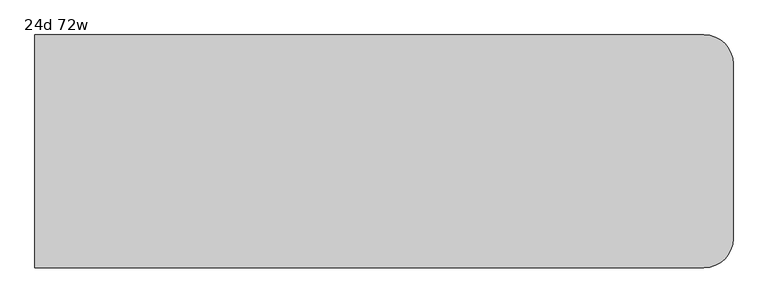
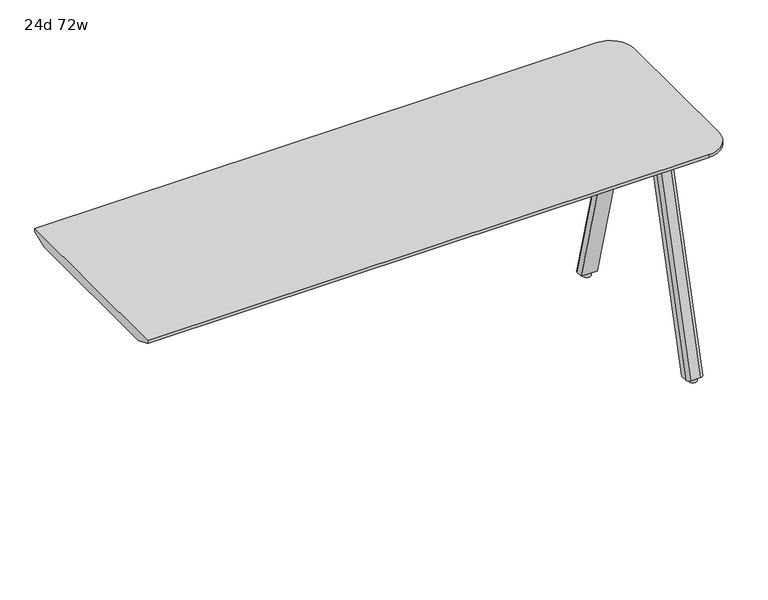
"""IFC4 building model written with IfcOpenShell, lengths in millimetres: furniture geometry, 24d 72w."""

from ifc_helpers import new_model, si_unit, point, frame, frame_2d, origin, origin_with_axes, place, context, project, spatial, polyline, circle_curve, trimmed, segment, composite_curve, outline, extrude, source, transform, mapped, element, save
from ifc_brep_helpers import plane_surface, cylinder_surface, revolved_surface, extruded_surface, advanced_brep


def furniture_24d_72w_21c41ae3(model_context):
    return source(origin(), model_context, "Body", "SolidModel", [
        extrude(outline(composite_curve([segment(polyline([(1264.8565, -177.5714359), (1156.9065004, -177.5714359)]), True, "CONTINUOUS"), segment(trimmed(circle_curve(frame_2d((1156.9065004, -168.0464359)), 9.525), [point((1156.9065004, -177.5714359))], [point((1147.3815004, -168.0464359))], False, "CARTESIAN"), True, "CONTINUOUS"), segment(polyline([(1147.3815004, -168.0464359), (1147.3815004, -85.3730665)]), True, "CONTINUOUS"), segment(trimmed(circle_curve(frame_2d((1156.9065004, -85.3730665)), 9.525), [point((1147.3815004, -85.3730665))], [point((1156.9065004, -75.8480665))], False, "CARTESIAN"), True, "CONTINUOUS"), segment(polyline([(1156.9065004, -75.8480665), (1264.8565, -75.8480665)]), True, "CONTINUOUS"), segment(trimmed(circle_curve(frame_2d((1264.8565, -85.3730665)), 9.525), [point((1264.8565, -75.8480665))], [point((1274.3815, -85.3730665))], False, "CARTESIAN"), True, "CONTINUOUS"), segment(polyline([(1274.3815, -85.3730665), (1274.3815, -168.0464359)]), True, "CONTINUOUS"), segment(trimmed(circle_curve(frame_2d((1264.8565, -168.0464359)), 9.525), [point((1274.3815, -168.0464359))], [point((1264.8565, -177.5714359))], False, "CARTESIAN"), True, "CONTINUOUS")], self_intersect=False)), frame((0.0, 0.0, 705.2055742), z_axis=(0.0, 0.0, 1.0), x_axis=(1.0, 0.0, 0.0)), (0.0, 0.0, 1.0), 5.9944258),
        advanced_brep(
        [(1258.8875, -83.0722266, 705.2055742), (1227.1375, -83.0722266, 705.2055742), (1217.6125, -92.5972266, 705.2055742), (1217.6125, -113.2347266, 705.2055742), (1268.4125, -113.2347266, 705.2055742), (1268.4125, -92.5972266, 705.2055742), (1258.8875, 103.4160641, 12.7), (1268.4125, 93.8910641, 12.7), (1268.4125, 73.2535641, 12.7), (1217.6125, 73.2535641, 12.7), (1217.6125, 93.8910641, 12.7), (1227.1375, 103.4160641, 12.7)],
        [
            (0, 1),
            (1, 2, circle_curve(frame((1227.1375, -92.5972266, 705.2055742), z_axis=(0.0, 0.0, 1.0), x_axis=(1.0, 0.0, 0.0)), 9.525)),
            (2, 3),
            (3, 4),
            (4, 5),
            (5, 0, circle_curve(frame((1258.8875, -92.5972266, 705.2055742), z_axis=(0.0, 0.0, 1.0), x_axis=(1.0, 0.0, 0.0)), 9.525)),
            (6, 7, circle_curve(frame((1258.8875, 93.8910641, 12.7), z_axis=(0.0, 0.0, -1.0), x_axis=(1.0, 0.0, 0.0)), 9.525)),
            (7, 8),
            (8, 9),
            (9, 10),
            (10, 11, circle_curve(frame((1227.1375, 93.8910641, 12.7), z_axis=(0.0, 0.0, -1.0), x_axis=(1.0, 0.0, 0.0)), 9.525)),
            (11, 6),
            (6, 0),
            (5, 7),
            (4, 8),
            (3, 9),
            (2, 10),
            (1, 11),
        ],
        [
            plane_surface(frame((1243.0125, -96.3013932, 705.2055742), z_axis=(0.0, 0.0, 1.0), x_axis=(-1.0, 0.0, 0.0))),
            plane_surface(frame((1243.0125, 90.1868975, 12.7), z_axis=(0.0, 0.0, -1.0), x_axis=(-1.0, 0.0, 0.0))),
            extruded_surface(trimmed(circle_curve(frame((1258.8875, -92.5972266, 705.2055742), z_axis=(0.0, 0.0, -1.0), x_axis=(1.0, 0.0, 0.0)), 9.525), [point((1258.8875, -83.0722266, 705.2055742))], [point((1268.4125, -92.5972266, 705.2055742))], True, "CARTESIAN"), (0.0, 186.4882907, -692.5055742), 717.1763052878136),
            plane_surface(frame((1268.4125, 83.5723141, 12.7), z_axis=(1.0, 0.0, 0.0), x_axis=(0.0, -1.0, 0.0))),
            plane_surface(frame((1243.0125, 73.2535641, 12.7), z_axis=(0.0, -0.9656001865922422, -0.260031305140414), x_axis=(-1.0, 0.0, 0.0))),
            plane_surface(frame((1217.6125, 83.5723141, 12.7), z_axis=(-1.0, 0.0, 0.0), x_axis=(0.0, 1.0, 0.0))),
            extruded_surface(trimmed(circle_curve(frame((1227.1375, -92.5972266, 705.2055742), z_axis=(0.0, 0.0, -1.0), x_axis=(1.0, 0.0, 0.0)), 9.525), [point((1217.6125, -92.5972266, 705.2055742))], [point((1227.1375, -83.0722266, 705.2055742))], True, "CARTESIAN"), (0.0, 186.4882907, -692.5055742), 717.1763052878136),
            plane_surface(frame((1243.0125, 103.4160641, 12.7), z_axis=(0.0, 0.9656001865922422, 0.260031305140414), x_axis=(1.0, 0.0, 0.0))),
        ],
        [
            (0, [[1, 2, 3, 4, 5, 6]]),
            (1, [[7, 8, 9, 10, 11, 12]]),
            (2, [[13, -6, 14, -7]]),
            (3, [[-14, -5, 15, -8]]),
            (4, [[-15, -4, 16, -9]]),
            (5, [[-16, -3, 17, -10]]),
            (6, [[-17, -2, 18, -11]]),
            (7, [[-18, -1, -13, -12]]),
        ],
    ),
        extrude(outline(composite_curve([segment(trimmed(circle_curve(frame_2d((1243.0125, 87.5410641)), 12.7), [point((1230.3125, 87.5410641))], [point((1255.7125, 87.5410641))], False, "CARTESIAN"), True, "CONTINUOUS"), segment(trimmed(circle_curve(frame_2d((1243.0125, 87.5410641)), 12.7), [point((1255.7125, 87.5410641))], [point((1230.3125, 87.5410641))], False, "CARTESIAN"), True, "CONTINUOUS")], self_intersect=False)), origin_with_axes(), (0.0, 0.0, 1.0), 12.7),
        extrude(outline(composite_curve([segment(trimmed(circle_curve(frame_2d((1264.8565, -231.4605172)), 9.525), [point((1264.8565, -221.9355172))], [point((1274.3815, -231.4605172))], False, "CARTESIAN"), True, "CONTINUOUS"), segment(polyline([(1274.3815, -231.4605172), (1274.3815, -314.1338866)]), True, "CONTINUOUS"), segment(trimmed(circle_curve(frame_2d((1264.8565, -314.1338866)), 9.525), [point((1274.3815, -314.1338866))], [point((1264.8565, -323.6588866))], False, "CARTESIAN"), True, "CONTINUOUS"), segment(polyline([(1264.8565, -323.6588866), (1156.9065004, -323.6588866)]), True, "CONTINUOUS"), segment(trimmed(circle_curve(frame_2d((1156.9065004, -314.1338866)), 9.525), [point((1156.9065004, -323.6588866))], [point((1147.3815004, -314.1338866))], False, "CARTESIAN"), True, "CONTINUOUS"), segment(polyline([(1147.3815004, -314.1338866), (1147.3815004, -231.4605172)]), True, "CONTINUOUS"), segment(trimmed(circle_curve(frame_2d((1156.9065004, -231.4605172)), 9.525), [point((1147.3815004, -231.4605172))], [point((1156.9065004, -221.9355172))], False, "CARTESIAN"), True, "CONTINUOUS"), segment(polyline([(1156.9065004, -221.9355172), (1264.8565, -221.9355172)]), True, "CONTINUOUS")], self_intersect=False)), frame((0.0, 0.0, 705.2055742), z_axis=(0.0, 0.0, 1.0), x_axis=(1.0, 0.0, 0.0)), (0.0, 0.0, 1.0), 5.9944258),
        advanced_brep(
        [(1258.8875, -316.4347266, 705.2055742), (1268.4125, -306.9097266, 705.2055742), (1268.4125, -286.2722266, 705.2055742), (1217.6125, -286.2722266, 705.2055742), (1217.6125, -306.9097266, 705.2055742), (1227.1375, -316.4347266, 705.2055742), (1258.8875, -502.9230172, 12.7), (1227.1375, -502.9230172, 12.7), (1217.6125, -493.3980172, 12.7), (1217.6125, -472.7605172, 12.7), (1268.4125, -472.7605172, 12.7), (1268.4125, -493.3980172, 12.7)],
        [
            (0, 1, circle_curve(frame((1258.8875, -306.9097266, 705.2055742), z_axis=(0.0, 0.0, 1.0), x_axis=(1.0, 0.0, 0.0)), 9.525)),
            (1, 2),
            (2, 3),
            (3, 4),
            (4, 5, circle_curve(frame((1227.1375, -306.9097266, 705.2055742), z_axis=(0.0, 0.0, 1.0), x_axis=(1.0, 0.0, 0.0)), 9.525)),
            (5, 0),
            (6, 7),
            (7, 8, circle_curve(frame((1227.1375, -493.3980172, 12.7), z_axis=(0.0, 0.0, -1.0), x_axis=(1.0, 0.0, 0.0)), 9.525)),
            (8, 9),
            (9, 10),
            (10, 11),
            (11, 6, circle_curve(frame((1258.8875, -493.3980172, 12.7), z_axis=(0.0, 0.0, -1.0), x_axis=(1.0, 0.0, 0.0)), 9.525)),
            (11, 1),
            (0, 6),
            (10, 2),
            (9, 3),
            (8, 4),
            (7, 5),
        ],
        [
            plane_surface(frame((1243.0125, -303.2055599, 705.2055742), z_axis=(0.0, 0.0, 1.0), x_axis=(-1.0, 0.0, 0.0))),
            plane_surface(frame((1243.0125, -489.6938506, 12.7), z_axis=(0.0, 0.0, -1.0), x_axis=(-1.0, 0.0, 0.0))),
            extruded_surface(trimmed(circle_curve(frame((1258.8875, -493.3980172, 12.7), z_axis=(0.0, 0.0, 1.0), x_axis=(1.0, 0.0, 0.0)), 9.525), [point((1258.8875, -502.9230172, 12.7))], [point((1268.4125, -493.3980172, 12.7))], True, "CARTESIAN"), (0.0, 186.48829060000003, 692.5055742), 717.1763052618106),
            plane_surface(frame((1268.4125, -483.0792672, 12.7), z_axis=(1.0, 0.0, 0.0), x_axis=(0.0, 1.0, 0.0))),
            plane_surface(frame((1243.0125, -472.7605172, 12.7), z_axis=(0.0, 0.9656001865922422, -0.260031305140414), x_axis=(-1.0, 0.0, 0.0))),
            plane_surface(frame((1217.6125, -483.0792672, 12.7), z_axis=(-1.0, 0.0, 0.0), x_axis=(0.0, -1.0, 0.0))),
            extruded_surface(trimmed(circle_curve(frame((1227.1375, -493.3980172, 12.7), z_axis=(0.0, 0.0, 1.0), x_axis=(1.0, 0.0, 0.0)), 9.525), [point((1217.6125, -493.3980172, 12.7))], [point((1227.1375, -502.9230172, 12.7))], True, "CARTESIAN"), (0.0, 186.48829060000003, 692.5055742), 717.1763052618106),
            plane_surface(frame((1243.0125, -502.9230172, 12.7), z_axis=(0.0, -0.9656001865922422, 0.260031305140414), x_axis=(1.0, 0.0, 0.0))),
        ],
        [
            (0, [[1, 2, 3, 4, 5, 6]]),
            (1, [[7, 8, 9, 10, 11, 12]]),
            (2, [[-12, 13, -1, 14]]),
            (3, [[-11, 15, -2, -13]]),
            (4, [[-10, 16, -3, -15]]),
            (5, [[-9, 17, -4, -16]]),
            (6, [[-8, 18, -5, -17]]),
            (7, [[-7, -14, -6, -18]]),
        ],
    ),
        extrude(outline(composite_curve([segment(trimmed(circle_curve(frame_2d((1243.0125, -487.0480172)), 12.7), [point((1230.3125, -487.0480172))], [point((1255.7125, -487.0480172))], False, "CARTESIAN"), True, "CONTINUOUS"), segment(trimmed(circle_curve(frame_2d((1243.0125, -487.0480172)), 12.7), [point((1255.7125, -487.0480172))], [point((1230.3125, -487.0480172))], False, "CARTESIAN"), True, "CONTINUOUS")], self_intersect=False)), origin_with_axes(), (0.0, 0.0, 1.0), 12.7),
        advanced_brep(
        [(1282.7, 105.0465234, 741.3625), (-469.9, 105.0465234, 741.3625), (-469.9, -504.5534766, 741.3625), (1282.7, -504.5534766, 741.3625), (1358.9, -428.3534766, 741.3625), (1358.9, 28.8465234, 741.3625), (-469.9, -453.7534766, 711.2), (-469.9, 54.2465234, 711.2), (1282.7, 54.2465234, 711.2), (1308.1, 28.8465234, 711.2), (1308.1, -428.3534766, 711.2), (1282.7, -453.7534766, 711.2), (1282.7, 105.0465234, 731.8375), (-469.9, 105.0465234, 731.8375), (-469.9, -504.5534766, 731.8375), (1282.7, -504.5534766, 731.8375), (1358.9, -428.3534766, 731.8375), (1358.9, 28.8465234, 731.8375)],
        [
            (0, 1),
            (1, 2),
            (2, 3),
            (3, 4, circle_curve(frame((1282.7, -428.3534766, 741.3625), z_axis=(0.0, 0.0, 1.0), x_axis=(1.0, 0.0, 0.0)), 76.2)),
            (4, 5),
            (5, 0, circle_curve(frame((1282.7, 28.8465234, 741.3625), z_axis=(0.0, 0.0, 1.0), x_axis=(1.0, 0.0, 0.0)), 76.2)),
            (6, 7),
            (7, 8),
            (8, 9, circle_curve(frame((1282.7, 28.8465234, 711.2), z_axis=(0.0, 0.0, -1.0), x_axis=(1.0, 0.0, 0.0)), 25.4)),
            (9, 10),
            (10, 11, circle_curve(frame((1282.7, -428.3534766, 711.2), z_axis=(0.0, 0.0, -1.0), x_axis=(0.0, -1.0, 0.0)), 25.4)),
            (11, 6),
            (0, 12),
            (12, 13),
            (13, 1),
            (13, 7),
            (6, 14),
            (14, 2),
            (14, 15),
            (15, 3),
            (4, 16),
            (16, 17),
            (17, 5),
            (11, 15),
            (10, 16),
            (16, 15, circle_curve(frame((1282.7, -428.3534766, 731.8375), z_axis=(0.0, 0.0, -1.0), x_axis=(0.0, -1.0, 0.0)), 76.2)),
            (9, 17),
            (17, 12, circle_curve(frame((1282.7, 28.8465234, 731.8375), z_axis=(0.0, 0.0, 1.0), x_axis=(1.0, 0.0, 0.0)), 76.2)),
            (8, 12),
        ],
        [
            plane_surface(frame((-469.9, 105.0465234, 741.3625), z_axis=(0.0, 0.0, 1.0), x_axis=(-1.0, 0.0, 0.0))),
            plane_surface(frame((-469.9, 105.0465234, 711.2), z_axis=(0.0, 0.0, -1.0), x_axis=(1.0, 0.0, 0.0))),
            plane_surface(frame((1282.7, 105.0465234, 741.3625), z_axis=(0.0, 1.0, 0.0), x_axis=(0.0, 0.0, -1.0))),
            plane_surface(frame((-469.9, 105.0465234, 741.3625), z_axis=(-1.0, 0.0, 0.0), x_axis=(0.0, 0.0, -1.0))),
            plane_surface(frame((-469.9, -504.5534766, 741.3625), z_axis=(0.0, -1.0, 0.0), x_axis=(0.0, 0.0, -1.0))),
            plane_surface(frame((1358.9, -428.3534766, 741.3625), z_axis=(1.0, 0.0, 0.0), x_axis=(0.0, 0.0, -1.0))),
            plane_surface(frame((-469.9, -504.5534766, 731.8375), z_axis=(0.0, -0.37637704695766366, -0.9264665771216082), x_axis=(1.0, 0.0, 0.0))),
            revolved_surface(polyline([(1282.7, -453.7534766, 711.2), (1282.7, -504.5534766, 731.8375)]), (1282.7, -428.3534766, 0.0), (0.0, 0.0, 1.0)),
            plane_surface(frame((1358.9, -428.3534766, 731.8375), z_axis=(0.37637704695766366, 0.0, -0.9264665771216082), x_axis=(0.0, 1.0, 0.0))),
            cylinder_surface(frame((1282.7, -428.3534766, 711.2), z_axis=(0.0, 0.0, 1.0), x_axis=(1.0, 0.0, 0.0)), 76.2),
            cylinder_surface(frame((1282.7, 28.8465234, 711.2), z_axis=(0.0, 0.0, 1.0), x_axis=(1.0, 0.0, 0.0)), 76.2),
            revolved_surface(polyline([(1308.1, 28.8465234, 711.2), (1358.9, 28.8465234, 731.8375)]), (1282.7, 28.8465234, 0.0), (0.0, 0.0, 1.0)),
            plane_surface(frame((1282.7, 105.0465234, 731.8375), z_axis=(0.0, 0.37637704695766366, -0.9264665771216082), x_axis=(-1.0, 0.0, 0.0))),
        ],
        [
            (0, [[1, 2, 3, 4, 5, 6]]),
            (1, [[7, 8, 9, 10, 11, 12]]),
            (2, [[-1, 13, 14, 15]]),
            (3, [[-2, -15, 16, -7, 17, 18]]),
            (4, [[-3, -18, 19, 20]]),
            (5, [[-5, 21, 22, 23]]),
            (6, [[24, -19, -17, -12]]),
            (7, [[-24, -11, 25, 26]]),
            (8, [[-25, -10, 27, -22]]),
            (9, [[-4, -20, -26, -21]]),
            (10, [[-6, -23, 28, -13]]),
            (11, [[-27, -9, 29, -28]]),
            (12, [[-29, -8, -16, -14]]),
        ],
    ),
    ])


if __name__ == "__main__":
    model = new_model("IFC4")
    model_context = context("Model", 3, world=origin())
    ifc_project = project(units=[si_unit("LENGTHUNIT", "METRE", prefix="MILLI")], contexts=[model_context])
    site = spatial("IfcSite", under=ifc_project)
    building = spatial("IfcBuilding", under=site)
    placement = place(None, origin())
    furniture_24d_72w_shape = furniture_24d_72w_21c41ae3(model_context)
    element("IfcFurniture", 1, ObjectType="24d 72w", at=placement, inside=building, context=model_context, shape_type="MappedRepresentation", body=[
        mapped(furniture_24d_72w_shape, transform((0.0, 0.0, 0.0), x_axis=(1.0, 0.0, 0.0), y_axis=(0.0, 1.0, 0.0), z_axis=(0.0, 0.0, 1.0))),
    ])
    save(model, "model.ifc")
